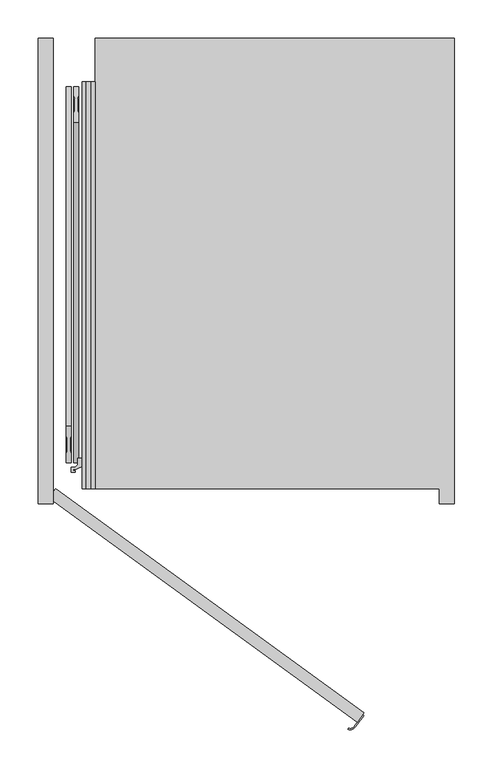
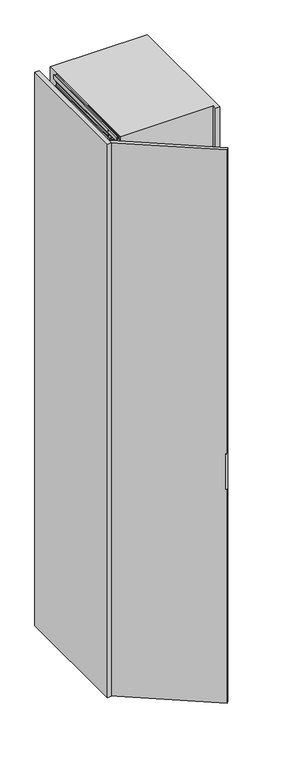
"""IFC4 building model written with IfcOpenShell, lengths in millimetres: furniture geometry."""

from ifc_helpers import new_model, si_unit, point, frame, frame_2d, origin, origin_with_axes, place, context, project, spatial, polyline, circle_curve, trimmed, segment, composite_curve, outline, extrude, faceted_brep, source, transform, mapped, element, save


def furniture_3020c195(model_context):
    return source(origin(), model_context, "Body", "SolidModel", [
        extrude(outline(composite_curve([segment(polyline([(350.7451414, -296.3196771), (351.9586669, -297.201355), (341.0735707, -312.1834047)]), True, "CONTINUOUS"), segment(trimmed(circle_curve(frame_2d((334.2088338, -307.1958814)), 8.4852814), [point((341.0735707, -312.1834047))], [point((331.167981, -315.117574))], False, "CARTESIAN"), True, "CONTINUOUS"), segment(polyline([(331.167981, -315.117574), (331.7055329, -313.7172034)]), True, "CONTINUOUS"), segment(trimmed(circle_curve(frame_2d((334.2088338, -307.1958814)), 6.9852814), [point((331.7055329, -313.7172034))], [point((339.8600452, -311.3017268))], True, "CARTESIAN"), True, "CONTINUOUS"), segment(polyline([(339.8600452, -311.3017268), (350.7451414, -296.3196771)]), True, "CONTINUOUS")], self_intersect=False)), frame((0.0, 0.0, 1110.0), z_axis=(0.0, 0.0, 1.0), x_axis=(1.0, 0.0, 0.0)), (0.0, 0.0, 1.0), 180.0),
        extrude(outline(polyline([(-60.8167788, -12.1352549), (-52.0, 0.0), (352.5084972, -293.8926261), (343.6917184, -306.0278811), (-60.8167788, -12.1352549)])), origin_with_axes(), (0.0, 0.0, 1.0), 2846.0),
        extrude(outline(polyline([(17.0, -17.0), (-2.0, -17.0), (-2.0, -12.75), (0.25, -12.75), (0.25, -15.0), (2.9, -15.0), (2.9, -3.0), (0.25, -3.0), (0.25, -5.25), (-2.0, -5.25), (-2.0, 0.0), (56.5663764, 0.0), (57.0913089, -6.0), (54.1547673, -6.0), (54.1547673, -2.5), (38.5, -2.5), (38.5, -6.0), (35.5, -6.0), (35.5, -3.0104888), (5.5, -3.0104888), (5.5, -15.0), (17.0, -15.0), (17.0, -17.0)])), frame((0.0, 0.0, 0.0), z_axis=(0.0, 1.0, 0.0), x_axis=(0.0, 0.0, 1.0)), (0.0, 0.0, 1.0), 533.0),
        extrude(outline(polyline([(2829.0, -15.0), (2840.5, -15.0), (2840.5, -3.0104888), (2810.5, -3.0104888), (2810.5, -6.0), (2807.5, -6.0), (2807.5, -2.5), (2791.8452327, -2.5), (2791.8452327, -6.0), (2788.9086911, -6.0), (2789.4336236, 0.0), (2848.0, 0.0), (2848.0, -5.25), (2845.75, -5.25), (2845.75, -3.0), (2843.1, -3.0), (2843.1, -15.0), (2845.75, -15.0), (2845.75, -12.75), (2848.0, -12.75), (2848.0, -17.0), (2829.0, -17.0), (2829.0, -15.0)])), frame((0.0, 0.0, 0.0), z_axis=(0.0, 1.0, 0.0), x_axis=(0.0, 0.0, 1.0)), (0.0, 0.0, 1.0), 533.0),
        faceted_brep([(-15.8313044, 44.5, 33.9), (-15.8313044, 68.7, 33.9), (-15.8313044, 68.7, 21.9), (-15.8313044, 44.5, 21.9), (-13.8052444, 68.7, 33.9), (-13.8052444, 44.5, 33.9), (-13.8052444, 44.5, 21.9), (-13.8052444, 68.7, 21.9), (-14.2052444, 68.7, 21.9), (-14.2052444, 68.7, 19.301924), (-14.2052444, 44.5, 19.301924), (-14.2052444, 44.5, 21.9), (-10.2052444, 81.5, 21.9), (-14.2052444, 77.5, 21.9), (-14.2052444, 35.5, 21.9), (-10.2052444, 31.5, 21.9), (-7.8052444, 31.5, 21.9), (-3.8052444, 35.5, 21.9), (-3.8052444, 77.5193461, 21.9), (-7.7858983, 81.5, 21.9), (-3.8052444, 70.0, 9.0920874), (-3.8052444, 42.8540496, 9.0920874), (-14.2052444, 42.8540496, 9.0920874), (-14.2052444, 70.0, 9.0920874), (-10.2052444, 81.5, 14.45), (-14.2052444, 77.5, 14.45), (-14.2052444, 42.8540496, 14.45), (-14.2052444, 35.5, 14.45), (-14.2052444, 70.0, 14.45), (-14.2052444, 64.0, 15.2), (-14.2052444, 49.0, 15.2), (-14.2052444, 49.0, 11.4378021), (-14.2052444, 64.0, 11.4378021), (-10.2052444, 31.5, 14.45), (-7.8052444, 31.5, 14.45), (-3.8052444, 35.5, 14.45), (-3.8052444, 42.8540496, 14.45), (-3.8052444, 70.0, 14.45), (-3.8052444, 77.5193461, 14.45), (-3.8052444, 49.0, 15.2), (-3.8052444, 64.0, 15.2), (-3.8052444, 64.0, 11.4378021), (-3.8052444, 49.0, 11.4378021), (-7.7858983, 81.5, 14.45)], [[[0, 1, 2, 3]], [[4, 5, 6, 7]], [[1, 0, 5, 4]], [[1, 4, 7, 8, 9, 2]], [[5, 0, 3, 10, 11, 6]], [[3, 2, 9, 10]], [[12, 13, 8, 7, 6, 11, 14, 15, 16, 17, 18, 19]], [[20, 21, 22, 23]], [[13, 12, 24, 25]], [[23, 22, 26, 27, 14, 11, 10, 9, 8, 13, 25, 28], [29, 30, 31, 32]], [[15, 14, 27, 33]], [[16, 15, 33, 34]], [[17, 16, 34, 35]], [[18, 17, 35, 36, 21, 20, 37, 38], [39, 40, 41, 42]], [[19, 18, 38, 43]], [[12, 19, 43, 24]], [[37, 28, 25, 24, 43, 38]], [[28, 37, 20, 23]], [[29, 40, 39, 30]], [[40, 29, 32, 41]], [[30, 39, 42, 31]], [[26, 36, 35, 34, 33, 27]], [[36, 26, 22, 21]], [[41, 32, 31, 42]]]),
        extrude(outline(composite_curve([segment(trimmed(circle_curve(frame_2d((-9.0052444, 37.1770248)), 5.75), [point((-9.0052444, 42.9270248))], [point((-9.0052444, 31.4270248))], False, "CARTESIAN"), True, "CONTINUOUS"), segment(trimmed(circle_curve(frame_2d((-9.0052444, 37.1770248)), 5.75), [point((-9.0052444, 31.4270248))], [point((-9.0052444, 42.9270248))], False, "CARTESIAN"), True, "CONTINUOUS")], self_intersect=False)), frame((0.0, 0.0, 6.65), z_axis=(0.0, 0.0, 1.0), x_axis=(1.0, 0.0, 0.0)), (0.0, 0.0, 1.0), 7.3),
        extrude(outline(composite_curve([segment(trimmed(circle_curve(frame_2d((-9.0052444, 56.5)), 5.75), [point((-9.0052444, 62.25))], [point((-9.0052444, 50.75))], False, "CARTESIAN"), True, "CONTINUOUS"), segment(trimmed(circle_curve(frame_2d((-9.0052444, 56.5)), 5.75), [point((-9.0052444, 50.75))], [point((-9.0052444, 62.25))], False, "CARTESIAN"), True, "CONTINUOUS")], self_intersect=False)), frame((0.0, 0.0, 11.4378021), z_axis=(0.0, 0.0, 1.0), x_axis=(1.0, 0.0, 0.0)), (0.0, 0.0, 1.0), 3.7621979),
        extrude(outline(composite_curve([segment(trimmed(circle_curve(frame_2d((-9.0052444, 75.75)), 5.75), [point((-9.0052444, 81.5))], [point((-9.0052444, 70.0))], False, "CARTESIAN"), True, "CONTINUOUS"), segment(trimmed(circle_curve(frame_2d((-9.0052444, 75.75)), 5.75), [point((-9.0052444, 70.0))], [point((-9.0052444, 81.5))], False, "CARTESIAN"), True, "CONTINUOUS")], self_intersect=False)), frame((0.0, 0.0, 6.65), z_axis=(0.0, 0.0, 1.0), x_axis=(1.0, 0.0, 0.0)), (0.0, 0.0, 1.0), 7.3),
        faceted_brep([(-15.8313044, 68.5, 2812.1), (-15.8313044, 44.3, 2812.1), (-15.8313044, 44.3, 2824.1), (-15.8313044, 68.5, 2824.1), (-13.8052444, 44.3, 2812.1), (-13.8052444, 68.5, 2812.1), (-13.8052444, 68.5, 2824.1), (-13.8052444, 44.3, 2824.1), (-14.2052444, 44.3, 2824.1), (-14.2052444, 44.3, 2826.698076), (-14.2052444, 68.5, 2826.698076), (-14.2052444, 68.5, 2824.1), (-10.2052444, 31.5, 2824.1), (-14.2052444, 35.5, 2824.1), (-14.2052444, 77.5, 2824.1), (-10.2052444, 81.5, 2824.1), (-7.8052444, 81.5, 2824.1), (-3.8052444, 77.5, 2824.1), (-3.8052444, 35.4806539, 2824.1), (-7.7858983, 31.5, 2824.1), (-3.8052444, 43.0, 2836.9079126), (-3.8052444, 70.1459504, 2836.9079126), (-14.2052444, 70.1459504, 2836.9079126), (-14.2052444, 43.0, 2836.9079126), (-10.2052444, 31.5, 2831.55), (-14.2052444, 35.5, 2831.55), (-14.2052444, 70.1459504, 2831.55), (-14.2052444, 77.5, 2831.55), (-14.2052444, 43.0, 2831.55), (-14.2052444, 49.0, 2830.8), (-14.2052444, 64.0, 2830.8), (-14.2052444, 64.0, 2834.5621979), (-14.2052444, 49.0, 2834.5621979), (-10.2052444, 81.5, 2831.55), (-7.8052444, 81.5, 2831.55), (-3.8052444, 77.5, 2831.55), (-3.8052444, 70.1459504, 2831.55), (-3.8052444, 43.0, 2831.55), (-3.8052444, 35.4806539, 2831.55), (-3.8052444, 64.0, 2830.8), (-3.8052444, 49.0, 2830.8), (-3.8052444, 49.0, 2834.5621979), (-3.8052444, 64.0, 2834.5621979), (-7.7858983, 31.5, 2831.55)], [[[0, 1, 2, 3]], [[4, 5, 6, 7]], [[1, 0, 5, 4]], [[1, 4, 7, 8, 9, 2]], [[5, 0, 3, 10, 11, 6]], [[3, 2, 9, 10]], [[12, 13, 8, 7, 6, 11, 14, 15, 16, 17, 18, 19]], [[20, 21, 22, 23]], [[13, 12, 24, 25]], [[23, 22, 26, 27, 14, 11, 10, 9, 8, 13, 25, 28], [29, 30, 31, 32]], [[15, 14, 27, 33]], [[16, 15, 33, 34]], [[17, 16, 34, 35]], [[18, 17, 35, 36, 21, 20, 37, 38], [39, 40, 41, 42]], [[19, 18, 38, 43]], [[12, 19, 43, 24]], [[37, 28, 25, 24, 43, 38]], [[28, 37, 20, 23]], [[29, 40, 39, 30]], [[40, 29, 32, 41]], [[30, 39, 42, 31]], [[26, 36, 35, 34, 33, 27]], [[36, 26, 22, 21]], [[41, 32, 31, 42]]]),
        extrude(outline(composite_curve([segment(trimmed(circle_curve(frame_2d((-9.0052444, 75.8229752)), 5.75), [point((-9.0052444, 70.0729752))], [point((-9.0052444, 81.5729752))], False, "CARTESIAN"), True, "CONTINUOUS"), segment(trimmed(circle_curve(frame_2d((-9.0052444, 75.8229752)), 5.75), [point((-9.0052444, 81.5729752))], [point((-9.0052444, 70.0729752))], False, "CARTESIAN"), True, "CONTINUOUS")], self_intersect=False)), frame((0.0, 0.0, 2832.05), z_axis=(0.0, 0.0, 1.0), x_axis=(1.0, 0.0, 0.0)), (0.0, 0.0, 1.0), 7.3),
        extrude(outline(composite_curve([segment(trimmed(circle_curve(frame_2d((-9.0052444, 56.5)), 5.75), [point((-9.0052444, 50.75))], [point((-9.0052444, 62.25))], False, "CARTESIAN"), True, "CONTINUOUS"), segment(trimmed(circle_curve(frame_2d((-9.0052444, 56.5)), 5.75), [point((-9.0052444, 62.25))], [point((-9.0052444, 50.75))], False, "CARTESIAN"), True, "CONTINUOUS")], self_intersect=False)), frame((0.0, 0.0, 2830.8), z_axis=(0.0, 0.0, 1.0), x_axis=(1.0, 0.0, 0.0)), (0.0, 0.0, 1.0), 3.7621979),
        extrude(outline(composite_curve([segment(trimmed(circle_curve(frame_2d((-9.0052444, 37.25)), 5.75), [point((-9.0052444, 31.5))], [point((-9.0052444, 43.0))], False, "CARTESIAN"), True, "CONTINUOUS"), segment(trimmed(circle_curve(frame_2d((-9.0052444, 37.25)), 5.75), [point((-9.0052444, 43.0))], [point((-9.0052444, 31.5))], False, "CARTESIAN"), True, "CONTINUOUS")], self_intersect=False)), frame((0.0, 0.0, 2832.05), z_axis=(0.0, 0.0, 1.0), x_axis=(1.0, 0.0, 0.0)), (0.0, 0.0, 1.0), 7.3),
        extrude(outline(polyline([(-8.4980052, 11.2885509), (-8.4980052, 24.9437822), (-1.5019948, 24.9437822), (-1.5019948, 11.2885509), (-2.9019839, 8.7447792), (-2.9019839, -8.7447792), (-1.5019948, -11.2885509), (-1.5019948, -24.9437822), (-8.4980052, -24.9437822), (-8.4980052, -11.2885509), (-7.0980161, -8.7447792), (-7.0980161, 8.7447792), (-8.4980052, 11.2885509)])), frame((-30.0, 503.0, 263.0), z_axis=(0.0, -0.2968216785838769, 0.9549329249338142), x_axis=(1.0, 0.0, 0.0)), (0.0, 0.0, 1.0), 1500.0),
        extrude(outline(polyline([(1.5019948, -11.2885509), (2.9019839, -8.7447792), (2.9019839, 8.7447792), (1.5019948, 11.2885509), (1.5019948, 24.9437823), (8.4980052, 24.9437823), (8.4980052, 11.2885509), (7.0980161, 8.7447792), (7.0980161, -8.7447792), (8.4980052, -11.2885509), (8.4980052, -24.9437822), (1.5019948, -24.9437822), (1.5019948, -11.2885509)])), frame((-30.0, 57.7674821, 330.6006126), z_axis=(0.0, 0.29682167858387626, 0.9549329249338144), x_axis=(1.0, 0.0, 0.0)), (0.0, 0.0, 1.0), 1500.0),
        extrude(outline(polyline([(-14.6, 76.0), (-6.85, 76.0), (-6.85, 38.0), (-8.85, 36.0), (-11.1, 36.0), (-12.6, 34.5), (-12.6, 28.5720943), (-9.1, 30.5928201), (-9.1, 25.0), (-10.1, 25.0), (-11.1, 26.0), (-14.7999998, 26.0), (-15.99707, 29.2889243), (-21.16538, 27.407813), (-25.2566983, 25.5), (-29.1, 25.5), (-29.1, 23.2), (-26.3, 23.2), (-26.3, 21.5), (-31.6, 21.5), (-31.6, 28.0), (-26.35, 28.0), (-23.35, 31.0), (-23.35, 39.5), (-14.6, 39.5), (-14.6, 44.3), (-12.2, 44.3), (-12.2, 40.8), (-9.6, 40.8), (-9.6, 48.5), (-10.6, 49.5), (-10.6, 63.5), (-9.6, 64.5), (-9.6, 72.2), (-12.2, 72.2), (-12.2, 68.7), (-14.6, 68.7), (-14.6, 76.0)])), frame((0.0, 0.0, 21.9), z_axis=(0.0, 0.0, 1.0), x_axis=(1.0, 0.0, 0.0)), (0.0, 0.0, 1.0), 2802.2),
        extrude(outline(polyline([(-75.0, 590.0), (-55.0, 590.0), (-55.0, -20.0), (-75.0, -20.0), (-75.0, 590.0)])), origin_with_axes(), (0.0, 0.0, 1.0), 2848.0),
        extrude(outline(polyline([(451.0, 0.0), (0.0, 0.0), (0.0, 590.0), (471.0, 590.0), (471.0, -20.0), (451.0, -20.0), (451.0, 0.0)])), frame((0.0, 0.0, -2.0), z_axis=(0.0, 0.0, 1.0), x_axis=(1.0, 0.0, 0.0)), (0.0, 0.0, 1.0), 2850.0),
    ])


if __name__ == "__main__":
    model = new_model("IFC4")
    model_context = context("Model", 3, world=origin())
    ifc_project = project(units=[si_unit("LENGTHUNIT", "METRE", prefix="MILLI")], contexts=[model_context])
    site = spatial("IfcSite", under=ifc_project)
    building = spatial("IfcBuilding", under=site)
    placement = place(None, origin())
    furniture_shape = furniture_3020c195(model_context)
    element("IfcFurniture", 1, at=placement, inside=building, context=model_context, shape_type="MappedRepresentation", body=[
        mapped(furniture_shape, transform((0.0, 0.0, 0.0), x_axis=(1.0, 0.0, 0.0), y_axis=(0.0, 1.0, 0.0), z_axis=(0.0, 0.0, 1.0))),
    ])
    save(model, "model.ifc")
